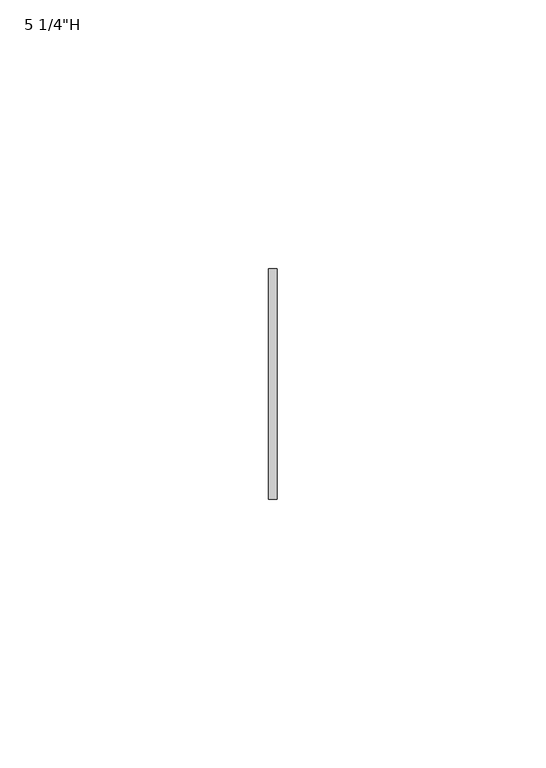
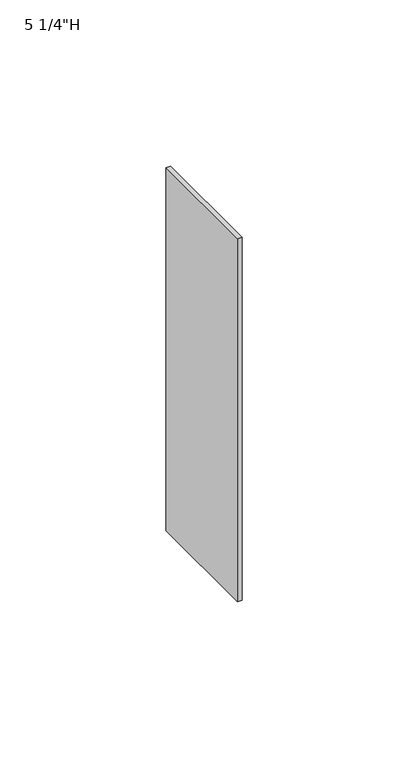
"""IFC4 building model written with IfcOpenShell, lengths in millimetres: furniture geometry."""

from ifc_helpers import new_model, si_unit, frame, origin, place, context, project, spatial, polyline, outline, extrude, source, transform, mapped, element, save


def furniture_ad43ee08(model_context):
    return source(origin(), model_context, "Body", "SweptSolid", [
        extrude(outline(polyline([(-0.79375, -111.125), (0.79375, -111.125), (0.79375, -153.9875), (-0.79375, -153.9875), (-0.79375, -111.125)])), frame((0.0, 0.0, 1085.85), z_axis=(0.0, 0.0, 1.0), x_axis=(1.0, 0.0, 0.0)), (0.0, 0.0, 1.0), 133.35),
    ])


if __name__ == "__main__":
    model = new_model("IFC4")
    model_context = context("Model", 3, world=origin())
    ifc_project = project(units=[si_unit("LENGTHUNIT", "METRE", prefix="MILLI")], contexts=[model_context])
    site = spatial("IfcSite", under=ifc_project)
    building = spatial("IfcBuilding", under=site)
    placement = place(None, origin())
    furniture_shape = furniture_ad43ee08(model_context)
    element("IfcFurniture", 1, ObjectType="5 1/4\"H", at=placement, inside=building, context=model_context, shape_type="MappedRepresentation", body=[
        mapped(furniture_shape, transform((0.0, 0.0, 0.0), x_axis=(1.0, 0.0, 0.0), y_axis=(0.0, 1.0, 0.0), z_axis=(0.0, 0.0, 1.0))),
    ])
    save(model, "model.ifc")
